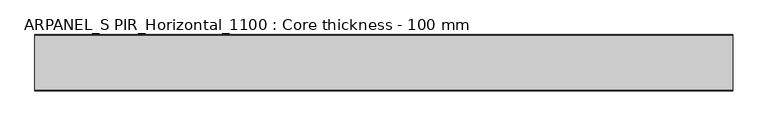
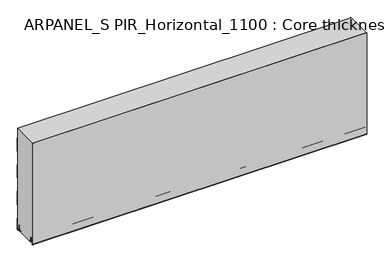
"""IFC4 building model written with IfcOpenShell, lengths in millimetres: plate geometry, ARPANEL_S PIR_Horizontal_1100 : Core thickness - 100 mm."""

from ifc_helpers import new_model, si_unit, frame, origin, place, context, project, spatial, polyline, circle_curve, source, transform, mapped, element, save
from ifc_brep_helpers import plane_surface, cylinder_surface, revolved_surface, advanced_brep


def arpanel_s_pir_horizontal_1100_core_thickness_100_mm_a6a39213(model_context):
    return source(origin(), model_context, "Body", "AdvancedBrep", [
        advanced_brep(
        [(620.0, -99.9996949, 3.0900682), (620.0, -93.81449, 2.7875612), (620.0, -92.197116, 19.2828169), (620.0, -89.1776715, 21.9898782), (620.0, -86.1582271, 19.2828169), (620.0, -84.7725998, 5.1510966), (620.0, -80.3830995, 5.365779), (620.0, -81.1830995, 5.365779), (620.0, -83.9764178, 5.2291629), (620.0, -85.3620451, 19.3608832), (620.0, -89.1776715, 22.7899182), (620.0, -92.9932979, 19.3608832), (620.0, -94.6106719, 2.8656275), (620.0, -99.1996949, 3.0900682), (620.0, -99.2, 400.0), (620.0, -99.9996949, 400.0), (-620.0, -99.1996949, 3.0900682), (-620.0, -94.6106719, 2.8656275), (-620.0, -92.9932979, 19.3608832), (-620.0, -89.1776715, 22.7899182), (-620.0, -85.3620451, 19.3608832), (-620.0, -83.9764178, 5.2291629), (-620.0, -81.1830995, 5.365779), (-620.0, -80.3830995, 5.365779), (-620.0, -84.7725998, 5.1510966), (-620.0, -86.1582271, 19.2828169), (-620.0, -89.1776715, 21.9898782), (-620.0, -92.197116, 19.2828169), (-620.0, -93.81449, 2.7875612), (-620.0, -99.9996949, 3.0900682), (-620.0, -99.9996949, 400.0), (-620.0, -99.2, 400.0)],
        [
            (0, 1, circle_curve(frame((620.0, -96.8996949, 3.0900682), z_axis=(1.0, 0.0, 0.0), x_axis=(0.0, 0.0, -1.0)), 3.1)),
            (1, 2),
            (2, 3, circle_curve(frame((620.0, -89.2114338, 18.9900682), z_axis=(-1.0, 0.0, 0.0), x_axis=(0.0, 0.0, -1.0)), 3.0)),
            (3, 4, circle_curve(frame((620.0, -89.1439093, 18.9900682), z_axis=(-1.0, 0.0, 0.0), x_axis=(0.0, 0.0, -1.0)), 3.0)),
            (4, 5),
            (5, 6, circle_curve(frame((620.0, -82.5830995, 5.365779), z_axis=(1.0, 0.0, 0.0), x_axis=(0.0, 0.0, -1.0)), 2.2)),
            (6, 7),
            (7, 8, circle_curve(frame((620.0, -82.5830995, 5.365779), z_axis=(-1.0, 0.0, 0.0), x_axis=(0.0, 0.0, -1.0)), 1.4)),
            (8, 9),
            (9, 10, circle_curve(frame((620.0, -89.1439093, 18.9900682), z_axis=(1.0, 0.0, 0.0), x_axis=(0.0, 0.0, -1.0)), 3.8)),
            (10, 11, circle_curve(frame((620.0, -89.2114338, 18.9900682), z_axis=(1.0, 0.0, 0.0), x_axis=(0.0, 0.0, -1.0)), 3.8)),
            (11, 12),
            (12, 13, circle_curve(frame((620.0, -96.8996949, 3.0900682), z_axis=(-1.0, 0.0, 0.0), x_axis=(0.0, 0.0, -1.0)), 2.3)),
            (13, 14),
            (14, 15),
            (15, 0),
            (16, 17, circle_curve(frame((-620.0, -96.8996949, 3.0900682), z_axis=(1.0, 0.0, 0.0), x_axis=(0.0, 0.0, -1.0)), 2.3)),
            (17, 18),
            (18, 19, circle_curve(frame((-620.0, -89.2114338, 18.9900682), z_axis=(-1.0, 0.0, 0.0), x_axis=(0.0, 0.0, -1.0)), 3.8)),
            (19, 20, circle_curve(frame((-620.0, -89.1439093, 18.9900682), z_axis=(-1.0, 0.0, 0.0), x_axis=(0.0, 0.0, -1.0)), 3.8)),
            (20, 21),
            (21, 22, circle_curve(frame((-620.0, -82.5830995, 5.365779), z_axis=(1.0, 0.0, 0.0), x_axis=(0.0, 0.0, -1.0)), 1.4)),
            (22, 23),
            (23, 24, circle_curve(frame((-620.0, -82.5830995, 5.365779), z_axis=(-1.0, 0.0, 0.0), x_axis=(0.0, 0.0, -1.0)), 2.2)),
            (24, 25),
            (25, 26, circle_curve(frame((-620.0, -89.1439093, 18.9900682), z_axis=(1.0, 0.0, 0.0), x_axis=(0.0, 0.0, -1.0)), 3.0)),
            (26, 27, circle_curve(frame((-620.0, -89.2114338, 18.9900682), z_axis=(1.0, 0.0, 0.0), x_axis=(0.0, 0.0, -1.0)), 3.0)),
            (27, 28),
            (28, 29, circle_curve(frame((-620.0, -96.8996949, 3.0900682), z_axis=(-1.0, 0.0, 0.0), x_axis=(0.0, 0.0, -1.0)), 3.1)),
            (29, 30),
            (30, 31),
            (31, 16),
            (13, 16),
            (31, 14),
            (29, 0),
            (15, 30),
            (12, 17),
            (11, 18),
            (10, 19),
            (9, 20),
            (8, 21),
            (7, 22),
            (6, 23),
            (5, 24),
            (4, 25),
            (3, 26),
            (2, 27),
            (1, 28),
        ],
        [
            plane_surface(frame((620.0, -100.0, 0.0), z_axis=(1.0, 0.0, 0.0), x_axis=(0.0, 1.0, 0.0))),
            plane_surface(frame((-620.0, -100.0, 0.0), z_axis=(-1.0, 0.0, 0.0), x_axis=(0.0, 1.0, 0.0))),
            plane_surface(frame((620.0, -99.2, 3.0900682), z_axis=(0.0, 1.0, 0.0), x_axis=(-1.0, 0.0, 0.0))),
            plane_surface(frame((620.0, -99.9996949, 1093.9000005), z_axis=(0.0, -1.0, 0.0), x_axis=(-1.0, 0.0, 0.0))),
            revolved_surface(polyline([(-620.0, -96.8996949, 0.7900682000000003), (620.0, -96.8996949, 0.7900682000000003)]), (620.0, -96.8996949, 3.0900682), (-1.0, 0.0, 0.0)),
            plane_surface(frame((620.0, -92.9932979, 19.3608832), z_axis=(0.0, -0.9952273999818314, 0.09758289975914787), x_axis=(-1.0, 0.0, 0.0))),
            cylinder_surface(frame((620.0, -89.2114338, 18.9900682), z_axis=(1.0, 0.0, 0.0), x_axis=(0.0, 0.0, -1.0)), 3.8),
            cylinder_surface(frame((620.0, -89.1439093, 18.9900682), z_axis=(1.0, 0.0, 0.0), x_axis=(0.0, 0.0, -1.0)), 3.8),
            plane_surface(frame((620.0, -83.9764178, 5.2291629), z_axis=(0.0, 0.9952273999818297, 0.09758289975916531), x_axis=(-1.0, 0.0, 0.0))),
            revolved_surface(polyline([(-620.0, -82.5830995, 3.965779), (620.0, -82.5830995, 3.965779)]), (620.0, -82.5830995, 5.365779), (-1.0, 0.0, 0.0)),
            plane_surface(frame((620.0, -80.3830995, 5.365779), z_axis=(0.0, 0.0, 1.0), x_axis=(-1.0, 0.0, 0.0))),
            cylinder_surface(frame((620.0, -82.5830995, 5.365779), z_axis=(1.0, 0.0, 0.0), x_axis=(0.0, 0.0, -1.0)), 2.2),
            plane_surface(frame((620.0, -86.1582271, 19.2828169), z_axis=(0.0, -0.9952273999818296, -0.09758289975916527), x_axis=(-1.0, 0.0, 0.0))),
            revolved_surface(polyline([(-620.0, -89.1439093, 15.9900682), (620.0, -89.1439093, 15.9900682)]), (620.0, -89.1439093, 18.9900682), (-1.0, 0.0, 0.0)),
            revolved_surface(polyline([(-620.0, -89.2114338, 15.9900682), (620.0, -89.2114338, 15.9900682)]), (620.0, -89.2114338, 18.9900682), (-1.0, 0.0, 0.0)),
            plane_surface(frame((620.0, -93.81449, 2.7875612), z_axis=(0.0, 0.9952273999818314, -0.09758289975914787), x_axis=(-1.0, 0.0, 0.0))),
            cylinder_surface(frame((620.0, -96.8996949, 3.0900682), z_axis=(1.0, 0.0, 0.0), x_axis=(0.0, 0.0, -1.0)), 3.1),
            plane_surface(frame((-620.0, 134.0533409, 400.0), z_axis=(0.0, 0.0, 1.0), x_axis=(1.0, 0.0, 0.0))),
        ],
        [
            (0, [[1, 2, 3, 4, 5, 6, 7, 8, 9, 10, 11, 12, 13, 14, 15, 16]]),
            (1, [[17, 18, 19, 20, 21, 22, 23, 24, 25, 26, 27, 28, 29, 30, 31, 32]]),
            (2, [[33, -32, 34, -14]]),
            (3, [[35, -16, 36, -30]]),
            (4, [[-13, 37, -17, -33]]),
            (5, [[-12, 38, -18, -37]]),
            (6, [[-11, 39, -19, -38]]),
            (7, [[-10, 40, -20, -39]]),
            (8, [[-9, 41, -21, -40]]),
            (9, [[-8, 42, -22, -41]]),
            (10, [[-7, 43, -23, -42]]),
            (11, [[-6, 44, -24, -43]]),
            (12, [[-5, 45, -25, -44]]),
            (13, [[-4, 46, -26, -45]]),
            (14, [[-3, 47, -27, -46]]),
            (15, [[-2, 48, -28, -47]]),
            (16, [[-1, -35, -29, -48]]),
            (17, [[-15, -34, -31, -36]]),
        ],
    ),
        advanced_brep(
        [(620.0, -0.8, 149.9459237), (620.0, -1.0986697, 150.9973395), (620.0, -1.5003051, 152.4177205), (620.0, -1.5003051, 202.5775037), (620.0, -1.0971009, 203.9969151), (620.0, -0.8, 205.0493005), (620.0, -0.8, 255.2090837), (620.0, -1.0986697, 256.2604995), (620.0, -1.5003051, 257.6808805), (620.0, -1.5003051, 307.8406637), (620.0, -1.0971009, 309.2600751), (620.0, -0.8, 310.3124605), (620.0, -0.8, 360.4722437), (620.0, -1.0986697, 361.5236595), (620.0, -1.5003051, 362.9440405), (620.0, -1.5003051, 400.0), (620.0, -99.2, 400.0), (620.0, -99.2, 3.0900682), (620.0, -94.6106719, 2.8656275), (620.0, -92.9932979, 19.3608832), (620.0, -89.1776715, 22.7899182), (620.0, -85.3620451, 19.3608832), (620.0, -83.9764178, 5.2291629), (620.0, -81.1830995, 5.365779), (620.0, -80.3830995, 5.365779), (620.0, -80.6102539, 4.3921875), (620.0, -19.3897461, 4.3921875), (620.0, -19.6169005, 5.365779), (620.0, -18.8169005, 5.365779), (620.0, -16.0235822, 5.2291629), (620.0, -14.6379549, 19.3608832), (620.0, -10.8223285, 22.7899182), (620.0, -7.0067021, 19.3608832), (620.0, -5.3893281, 2.8656275), (620.0, -0.8003051, 3.0900682), (620.0, -0.8, 44.6827637), (620.0, -1.0986697, 45.7341795), (620.0, -1.5003051, 47.1545605), (620.0, -1.5003051, 97.3143437), (620.0, -1.0971009, 98.7337551), (620.0, -0.8, 99.7861405), (-620.0, -1.0986697, 150.9973395), (-620.0, -0.8, 149.9459237), (-620.0, -0.8, 99.7861405), (-620.0, -1.0986697, 98.7347246), (-620.0, -1.5003051, 97.3143437), (-620.0, -1.5003051, 47.1545605), (-620.0, -1.0971009, 45.7351491), (-620.0, -0.8, 44.6827637), (-620.0, -0.8, 3.0900682), (-620.0, -5.3893281, 2.8656275), (-620.0, -7.0067021, 19.3608832), (-620.0, -10.8223285, 22.7899182), (-620.0, -14.6379549, 19.3608832), (-620.0, -16.0235822, 5.2291629), (-620.0, -18.4553868, 4.4268721), (-620.0, -18.8169005, 5.365779), (-620.0, -19.6169005, 5.365779), (-620.0, -19.3897461, 4.3921875), (-620.0, -80.6102539, 4.3921875), (-620.0, -80.3830995, 5.365779), (-620.0, -81.1830995, 5.365779), (-620.0, -81.5446132, 4.4268721), (-620.0, -83.9764178, 5.2291629), (-620.0, -85.3620451, 19.3608832), (-620.0, -89.1776715, 22.7899182), (-620.0, -92.9932979, 19.3608832), (-620.0, -94.6106719, 2.8656275), (-620.0, -99.1996949, 3.0900682), (-620.0, -99.2, 400.0), (-620.0, -1.5003051, 400.0), (-620.0, -1.5003051, 362.9440405), (-620.0, -1.0971009, 361.5246291), (-620.0, -0.8, 360.4722437), (-620.0, -0.8, 310.3124605), (-620.0, -1.0986697, 309.2610446), (-620.0, -1.5003051, 307.8406637), (-620.0, -1.5003051, 257.6808805), (-620.0, -1.0971009, 256.2614691), (-620.0, -0.8, 255.2090837), (-620.0, -0.8, 205.0493005), (-620.0, -1.0986697, 203.9978846), (-620.0, -1.5003051, 202.5775037), (-620.0, -1.5003051, 152.4177205)],
        [
            (0, 1, circle_curve(frame((620.0, -2.8, 149.9459237), z_axis=(1.0, 0.0, 0.0), x_axis=(0.0, 0.0, -1.0)), 2.0)),
            (1, 2, circle_curve(frame((620.0, 1.1996949, 152.4177205), z_axis=(-1.0, 0.0, 0.0), x_axis=(0.0, 0.0, -1.0)), 2.7)),
            (2, 3),
            (3, 4, circle_curve(frame((620.0, 1.1996949, 202.5775037), z_axis=(-1.0, 0.0, 0.0), x_axis=(0.0, 0.0, -1.0)), 2.7)),
            (4, 5, circle_curve(frame((620.0, -2.8, 205.0493005), z_axis=(1.0, 0.0, 0.0), x_axis=(0.0, 0.0, -1.0)), 2.0)),
            (5, 6),
            (6, 7, circle_curve(frame((620.0, -2.8, 255.2090837), z_axis=(1.0, 0.0, 0.0), x_axis=(0.0, 0.0, -1.0)), 2.0)),
            (7, 8, circle_curve(frame((620.0, 1.1996949, 257.6808805), z_axis=(-1.0, 0.0, 0.0), x_axis=(0.0, 0.0, -1.0)), 2.7)),
            (8, 9),
            (9, 10, circle_curve(frame((620.0, 1.1996949, 307.8406637), z_axis=(-1.0, 0.0, 0.0), x_axis=(0.0, 0.0, -1.0)), 2.7)),
            (10, 11, circle_curve(frame((620.0, -2.8, 310.3124605), z_axis=(1.0, 0.0, 0.0), x_axis=(0.0, 0.0, -1.0)), 2.0)),
            (11, 12),
            (12, 13, circle_curve(frame((620.0, -2.8, 360.4722437), z_axis=(1.0, 0.0, 0.0), x_axis=(0.0, 0.0, -1.0)), 2.0)),
            (13, 14, circle_curve(frame((620.0, 1.1996949, 362.9440405), z_axis=(-1.0, 0.0, 0.0), x_axis=(0.0, 0.0, -1.0)), 2.7)),
            (14, 15),
            (15, 16),
            (16, 17),
            (17, 18, circle_curve(frame((620.0, -96.8996949, 3.0900682), z_axis=(1.0, 0.0, 0.0), x_axis=(0.0, 0.0, -1.0)), 2.3)),
            (18, 19),
            (19, 20, circle_curve(frame((620.0, -89.2114338, 18.9900682), z_axis=(-1.0, 0.0, 0.0), x_axis=(0.0, 0.0, -1.0)), 3.8)),
            (20, 21, circle_curve(frame((620.0, -89.1439093, 18.9900682), z_axis=(-1.0, 0.0, 0.0), x_axis=(0.0, 0.0, -1.0)), 3.8)),
            (21, 22),
            (22, 23, circle_curve(frame((620.0, -82.5830995, 5.365779), z_axis=(1.0, 0.0, 0.0), x_axis=(0.0, 0.0, -1.0)), 1.4)),
            (23, 24),
            (24, 25, circle_curve(frame((620.0, -82.5830995, 5.365779), z_axis=(-1.0, 0.0, 0.0), x_axis=(0.0, 0.0, -1.0)), 2.2)),
            (25, 26),
            (26, 27, circle_curve(frame((620.0, -17.4169005, 5.365779), z_axis=(-1.0, 0.0, 0.0), x_axis=(0.0, 0.0, -1.0)), 2.2)),
            (27, 28),
            (28, 29, circle_curve(frame((620.0, -17.4169005, 5.365779), z_axis=(1.0, 0.0, 0.0), x_axis=(0.0, 0.0, -1.0)), 1.4)),
            (29, 30),
            (30, 31, circle_curve(frame((620.0, -10.8560907, 18.9900682), z_axis=(-1.0, 0.0, 0.0), x_axis=(0.0, 0.0, -1.0)), 3.8)),
            (31, 32, circle_curve(frame((620.0, -10.7885662, 18.9900682), z_axis=(-1.0, 0.0, 0.0), x_axis=(0.0, 0.0, -1.0)), 3.8)),
            (32, 33),
            (33, 34, circle_curve(frame((620.0, -3.1003051, 3.0900682), z_axis=(1.0, 0.0, 0.0), x_axis=(0.0, 0.0, -1.0)), 2.3)),
            (34, 35),
            (35, 36, circle_curve(frame((620.0, -2.8, 44.6827637), z_axis=(1.0, 0.0, 0.0), x_axis=(0.0, 0.0, -1.0)), 2.0)),
            (36, 37, circle_curve(frame((620.0, 1.1996949, 47.1545605), z_axis=(-1.0, 0.0, 0.0), x_axis=(0.0, 0.0, -1.0)), 2.7)),
            (37, 38),
            (38, 39, circle_curve(frame((620.0, 1.1996949, 97.3143437), z_axis=(-1.0, 0.0, 0.0), x_axis=(0.0, 0.0, -1.0)), 2.7)),
            (39, 40, circle_curve(frame((620.0, -2.8, 99.7861405), z_axis=(1.0, 0.0, 0.0), x_axis=(0.0, 0.0, -1.0)), 2.0)),
            (40, 0),
            (41, 42, circle_curve(frame((-620.0, -2.8, 149.9459237), z_axis=(-1.0, 0.0, 0.0), x_axis=(0.0, 0.0, -1.0)), 2.0)),
            (42, 43),
            (43, 44, circle_curve(frame((-620.0, -2.8, 99.7861405), z_axis=(-1.0, 0.0, 0.0), x_axis=(0.0, 0.0, -1.0)), 2.0)),
            (44, 45, circle_curve(frame((-620.0, 1.1996949, 97.3143437), z_axis=(1.0, 0.0, 0.0), x_axis=(0.0, 0.0, -1.0)), 2.7)),
            (45, 46),
            (46, 47, circle_curve(frame((-620.0, 1.1996949, 47.1545605), z_axis=(1.0, 0.0, 0.0), x_axis=(0.0, 0.0, -1.0)), 2.7)),
            (47, 48, circle_curve(frame((-620.0, -2.8, 44.6827637), z_axis=(-1.0, 0.0, 0.0), x_axis=(0.0, 0.0, -1.0)), 2.0)),
            (48, 49),
            (49, 50, circle_curve(frame((-620.0, -3.1003051, 3.0900682), z_axis=(-1.0, 0.0, 0.0), x_axis=(0.0, 0.0, -1.0)), 2.3)),
            (50, 51),
            (51, 52, circle_curve(frame((-620.0, -10.7885662, 18.9900682), z_axis=(1.0, 0.0, 0.0), x_axis=(0.0, 0.0, -1.0)), 3.8)),
            (52, 53, circle_curve(frame((-620.0, -10.8560907, 18.9900682), z_axis=(1.0, 0.0, 0.0), x_axis=(0.0, 0.0, -1.0)), 3.8)),
            (53, 54),
            (54, 55, circle_curve(frame((-620.0, -17.4169005, 5.365779), z_axis=(-1.0, 0.0, 0.0), x_axis=(0.0, 0.0, -1.0)), 1.4)),
            (55, 56, circle_curve(frame((-620.0, -17.4169005, 5.365779), z_axis=(-1.0, 0.0, 0.0), x_axis=(0.0, 0.0, -1.0)), 1.4)),
            (56, 57),
            (57, 58, circle_curve(frame((-620.0, -17.4169005, 5.365779), z_axis=(1.0, 0.0, 0.0), x_axis=(0.0, 0.0, -1.0)), 2.2)),
            (58, 59),
            (59, 60, circle_curve(frame((-620.0, -82.5830995, 5.365779), z_axis=(1.0, 0.0, 0.0), x_axis=(0.0, 0.0, -1.0)), 2.2)),
            (60, 61),
            (61, 62, circle_curve(frame((-620.0, -82.5830995, 5.365779), z_axis=(-1.0, 0.0, 0.0), x_axis=(0.0, 0.0, -1.0)), 1.4)),
            (62, 63, circle_curve(frame((-620.0, -82.5830995, 5.365779), z_axis=(-1.0, 0.0, 0.0), x_axis=(0.0, 0.0, -1.0)), 1.4)),
            (63, 64),
            (64, 65, circle_curve(frame((-620.0, -89.1439093, 18.9900682), z_axis=(1.0, 0.0, 0.0), x_axis=(0.0, 0.0, -1.0)), 3.8)),
            (65, 66, circle_curve(frame((-620.0, -89.2114338, 18.9900682), z_axis=(1.0, 0.0, 0.0), x_axis=(0.0, 0.0, -1.0)), 3.8)),
            (66, 67),
            (67, 68, circle_curve(frame((-620.0, -96.8996949, 3.0900682), z_axis=(-1.0, 0.0, 0.0), x_axis=(0.0, 0.0, -1.0)), 2.3)),
            (68, 69),
            (69, 70),
            (70, 71),
            (71, 72, circle_curve(frame((-620.0, 1.1996949, 362.9440405), z_axis=(1.0, 0.0, 0.0), x_axis=(0.0, 0.0, -1.0)), 2.7)),
            (72, 73, circle_curve(frame((-620.0, -2.8, 360.4722437), z_axis=(-1.0, 0.0, 0.0), x_axis=(0.0, 0.0, -1.0)), 2.0)),
            (73, 74),
            (74, 75, circle_curve(frame((-620.0, -2.8, 310.3124605), z_axis=(-1.0, 0.0, 0.0), x_axis=(0.0, 0.0, -1.0)), 2.0)),
            (75, 76, circle_curve(frame((-620.0, 1.1996949, 307.8406637), z_axis=(1.0, 0.0, 0.0), x_axis=(0.0, 0.0, -1.0)), 2.7)),
            (76, 77),
            (77, 78, circle_curve(frame((-620.0, 1.1996949, 257.6808805), z_axis=(1.0, 0.0, 0.0), x_axis=(0.0, 0.0, -1.0)), 2.7)),
            (78, 79, circle_curve(frame((-620.0, -2.8, 255.2090837), z_axis=(-1.0, 0.0, 0.0), x_axis=(0.0, 0.0, -1.0)), 2.0)),
            (79, 80),
            (80, 81, circle_curve(frame((-620.0, -2.8, 205.0493005), z_axis=(-1.0, 0.0, 0.0), x_axis=(0.0, 0.0, -1.0)), 2.0)),
            (81, 82, circle_curve(frame((-620.0, 1.1996949, 202.5775037), z_axis=(1.0, 0.0, 0.0), x_axis=(0.0, 0.0, -1.0)), 2.7)),
            (82, 83),
            (83, 41, circle_curve(frame((-620.0, 1.1996949, 152.4177205), z_axis=(1.0, 0.0, 0.0), x_axis=(0.0, 0.0, -1.0)), 2.7)),
            (41, 1),
            (0, 42),
            (83, 2),
            (82, 3),
            (81, 4),
            (80, 5),
            (79, 6),
            (78, 7),
            (77, 8),
            (76, 9),
            (75, 10),
            (74, 11),
            (73, 12),
            (72, 13),
            (71, 14),
            (70, 15),
            (68, 17),
            (16, 69),
            (57, 27),
            (26, 58),
            (56, 28),
            (54, 29),
            (53, 30),
            (52, 31),
            (51, 32),
            (50, 33),
            (49, 34),
            (48, 35),
            (47, 36),
            (46, 37),
            (45, 38),
            (44, 39),
            (43, 40),
            (67, 18),
            (66, 19),
            (65, 20),
            (64, 21),
            (63, 22),
            (61, 23),
            (60, 24),
            (59, 25),
        ],
        [
            plane_surface(frame((620.0, 0.0, 0.0), z_axis=(1.0, 0.0, 0.0), x_axis=(0.0, -1.0, 0.0))),
            plane_surface(frame((-620.0, 0.0, 0.0), z_axis=(-1.0, 0.0, 0.0), x_axis=(0.0, -1.0, 0.0))),
            cylinder_surface(frame((750.0, -2.8, 149.9459237), z_axis=(-1.0, 0.0, 0.0), x_axis=(0.0, 0.0, -1.0)), 2.0),
            revolved_surface(polyline([(620.0, 1.1996949, 149.7177205), (-620.0, 1.1996949, 149.7177205)]), (750.0, 1.1996949, 152.4177205), (1.0, 0.0, 0.0)),
            plane_surface(frame((750.0, -1.5003051, 202.5775037), z_axis=(0.0, 1.0, 0.0), x_axis=(-1.0, 0.0, 0.0))),
            revolved_surface(polyline([(620.0, 1.1996949, 199.8775037), (-620.0, 1.1996949, 199.8775037)]), (750.0, 1.1996949, 202.5775037), (1.0, 0.0, 0.0)),
            cylinder_surface(frame((750.0, -2.8, 205.0493005), z_axis=(-1.0, 0.0, 0.0), x_axis=(0.0, 0.0, -1.0)), 2.0),
            plane_surface(frame((750.0, -0.8, 255.2090837), z_axis=(0.0, 1.0, 0.0), x_axis=(-1.0, 0.0, 0.0))),
            cylinder_surface(frame((750.0, -2.8, 255.2090837), z_axis=(-1.0, 0.0, 0.0), x_axis=(0.0, 0.0, -1.0)), 2.0),
            revolved_surface(polyline([(620.0, 1.1996949, 254.9808805), (-620.0, 1.1996949, 254.9808805)]), (750.0, 1.1996949, 257.6808805), (1.0, 0.0, 0.0)),
            plane_surface(frame((750.0, -1.5003051, 307.8406637), z_axis=(0.0, 1.0, 0.0), x_axis=(-1.0, 0.0, 0.0))),
            revolved_surface(polyline([(620.0, 1.1996949, 305.1406637), (-620.0, 1.1996949, 305.1406637)]), (750.0, 1.1996949, 307.8406637), (1.0, 0.0, 0.0)),
            cylinder_surface(frame((750.0, -2.8, 310.3124605), z_axis=(-1.0, 0.0, 0.0), x_axis=(0.0, 0.0, -1.0)), 2.0),
            plane_surface(frame((750.0, -0.8, 360.4722437), z_axis=(0.0, 1.0, 0.0), x_axis=(-1.0, 0.0, 0.0))),
            cylinder_surface(frame((750.0, -2.8, 360.4722437), z_axis=(-1.0, 0.0, 0.0), x_axis=(0.0, 0.0, -1.0)), 2.0),
            revolved_surface(polyline([(620.0, 1.1996949, 360.24404050000004), (-620.0, 1.1996949, 360.24404050000004)]), (750.0, 1.1996949, 362.9440405), (1.0, 0.0, 0.0)),
            plane_surface(frame((750.0, -1.5003051, 413.1038237), z_axis=(0.0, 1.0, 0.0), x_axis=(-1.0, 0.0, 0.0))),
            plane_surface(frame((750.0, -99.2, 3.0900682), z_axis=(0.0, -1.0, 0.0), x_axis=(-1.0, 0.0, 0.0))),
            revolved_surface(polyline([(620.0, -17.4169005, 3.1657789999999997), (-620.0, -17.4169005, 3.1657789999999997)]), (750.0, -17.4169005, 5.365779), (1.0, 0.0, 0.0)),
            plane_surface(frame((750.0, -18.8169005, 5.365779), z_axis=(0.0, 0.0, -1.0), x_axis=(-1.0, 0.0, 0.0))),
            cylinder_surface(frame((750.0, -17.4169005, 5.365779), z_axis=(-1.0, 0.0, 0.0), x_axis=(0.0, 0.0, -1.0)), 1.4),
            plane_surface(frame((750.0, -14.6379549, 19.3608832), z_axis=(0.0, 0.9952273999818297, -0.09758289975916531), x_axis=(-1.0, 0.0, 0.0))),
            revolved_surface(polyline([(620.0, -10.8560907, 15.190068199999999), (-620.0, -10.8560907, 15.190068199999999)]), (750.0, -10.8560907, 18.9900682), (1.0, 0.0, 0.0)),
            revolved_surface(polyline([(620.0, -10.7885662, 15.190068199999999), (-620.0, -10.7885662, 15.190068199999999)]), (750.0, -10.7885662, 18.9900682), (1.0, 0.0, 0.0)),
            plane_surface(frame((750.0, -5.3893281, 2.8656275), z_axis=(0.0, -0.9952273999818314, -0.09758289975914787), x_axis=(-1.0, 0.0, 0.0))),
            cylinder_surface(frame((750.0, -3.1003051, 3.0900682), z_axis=(-1.0, 0.0, 0.0), x_axis=(0.0, 0.0, -1.0)), 2.3),
            plane_surface(frame((750.0, -0.8, 44.6827637), z_axis=(0.0, 1.0, 0.0), x_axis=(-1.0, 0.0, 0.0))),
            cylinder_surface(frame((750.0, -2.8, 44.6827637), z_axis=(-1.0, 0.0, 0.0), x_axis=(0.0, 0.0, -1.0)), 2.0),
            revolved_surface(polyline([(620.0, 1.1996949, 44.4545605), (-620.0, 1.1996949, 44.4545605)]), (750.0, 1.1996949, 47.1545605), (1.0, 0.0, 0.0)),
            plane_surface(frame((750.0, -1.5003051, 97.3143437), z_axis=(0.0, 1.0, 0.0), x_axis=(-1.0, 0.0, 0.0))),
            revolved_surface(polyline([(620.0, 1.1996949, 94.61434369999999), (-620.0, 1.1996949, 94.61434369999999)]), (750.0, 1.1996949, 97.3143437), (1.0, 0.0, 0.0)),
            cylinder_surface(frame((750.0, -2.8, 99.7861405), z_axis=(-1.0, 0.0, 0.0), x_axis=(0.0, 0.0, -1.0)), 2.0),
            plane_surface(frame((750.0, -0.8, 149.9459237), z_axis=(0.0, 1.0, 0.0), x_axis=(-1.0, 0.0, 0.0))),
            cylinder_surface(frame((750.0, -96.8996949, 3.0900682), z_axis=(-1.0, 0.0, 0.0), x_axis=(0.0, 0.0, -1.0)), 2.3),
            plane_surface(frame((750.0, -92.9932979, 19.3608832), z_axis=(0.0, 0.9952273999818314, -0.09758289975914787), x_axis=(-1.0, 0.0, 0.0))),
            revolved_surface(polyline([(620.0, -89.2114338, 15.190068199999999), (-620.0, -89.2114338, 15.190068199999999)]), (750.0, -89.2114338, 18.9900682), (1.0, 0.0, 0.0)),
            revolved_surface(polyline([(620.0, -89.1439093, 15.190068199999999), (-620.0, -89.1439093, 15.190068199999999)]), (750.0, -89.1439093, 18.9900682), (1.0, 0.0, 0.0)),
            plane_surface(frame((750.0, -83.9764178, 5.2291629), z_axis=(0.0, -0.9952273999818297, -0.09758289975916531), x_axis=(-1.0, 0.0, 0.0))),
            cylinder_surface(frame((750.0, -82.5830995, 5.365779), z_axis=(-1.0, 0.0, 0.0), x_axis=(0.0, 0.0, -1.0)), 1.4),
            plane_surface(frame((750.0, -80.3830995, 5.365779), z_axis=(0.0, 0.0, -1.0), x_axis=(-1.0, 0.0, 0.0))),
            revolved_surface(polyline([(620.0, -82.5830995, 3.1657789999999997), (-620.0, -82.5830995, 3.1657789999999997)]), (750.0, -82.5830995, 5.365779), (1.0, 0.0, 0.0)),
            plane_surface(frame((620.0, -81.50625, 4.3921875), z_axis=(0.0, 0.0, -1.0), x_axis=(-1.0, 0.0, 0.0))),
            plane_surface(frame((-620.0, 134.0533409, 400.0), z_axis=(0.0, 0.0, 1.0), x_axis=(1.0, 0.0, 0.0))),
        ],
        [
            (0, [[1, 2, 3, 4, 5, 6, 7, 8, 9, 10, 11, 12, 13, 14, 15, 16, 17, 18, 19, 20, 21, 22, 23, 24, 25, 26, 27, 28, 29, 30, 31, 32, 33, 34, 35, 36, 37, 38, 39, 40, 41]]),
            (1, [[42, 43, 44, 45, 46, 47, 48, 49, 50, 51, 52, 53, 54, 55, 56, 57, 58, 59, 60, 61, 62, 63, 64, 65, 66, 67, 68, 69, 70, 71, 72, 73, 74, 75, 76, 77, 78, 79, 80, 81, 82, 83, 84]]),
            (2, [[85, -1, 86, -42]]),
            (3, [[-85, -84, 87, -2]]),
            (4, [[-87, -83, 88, -3]]),
            (5, [[-88, -82, 89, -4]]),
            (6, [[-89, -81, 90, -5]]),
            (7, [[-90, -80, 91, -6]]),
            (8, [[-91, -79, 92, -7]]),
            (9, [[-92, -78, 93, -8]]),
            (10, [[-93, -77, 94, -9]]),
            (11, [[-94, -76, 95, -10]]),
            (12, [[-95, -75, 96, -11]]),
            (13, [[-96, -74, 97, -12]]),
            (14, [[-97, -73, 98, -13]]),
            (15, [[-98, -72, 99, -14]]),
            (16, [[-99, -71, 100, -15]]),
            (17, [[101, -17, 102, -69]]),
            (18, [[103, -27, 104, -58]]),
            (19, [[-103, -57, 105, -28]]),
            (20, [[-105, -56, -55, 106, -29]]),
            (21, [[-106, -54, 107, -30]]),
            (22, [[-107, -53, 108, -31]]),
            (23, [[-108, -52, 109, -32]]),
            (24, [[-109, -51, 110, -33]]),
            (25, [[-110, -50, 111, -34]]),
            (26, [[-111, -49, 112, -35]]),
            (27, [[-112, -48, 113, -36]]),
            (28, [[-113, -47, 114, -37]]),
            (29, [[-114, -46, 115, -38]]),
            (30, [[-115, -45, 116, -39]]),
            (31, [[-116, -44, 117, -40]]),
            (32, [[-117, -43, -86, -41]]),
            (33, [[-101, -68, 118, -18]]),
            (34, [[-118, -67, 119, -19]]),
            (35, [[-119, -66, 120, -20]]),
            (36, [[-120, -65, 121, -21]]),
            (37, [[-121, -64, 122, -22]]),
            (38, [[-122, -63, -62, 123, -23]]),
            (39, [[-123, -61, 124, -24]]),
            (40, [[-124, -60, 125, -25]]),
            (41, [[-104, -26, -125, -59]]),
            (42, [[-100, -70, -102, -16]]),
        ],
    ),
        advanced_brep(
        [(-620.0, -0.7003051, 362.9440405), (-620.0, -0.4016712, 361.8926826), (-620.0, -0.0003051, 360.4722437), (-620.0, -0.0003051, 310.3124605), (-620.0, -0.4034608, 308.8931274), (-620.0, -0.7003051, 307.8406637), (-620.0, -0.7003051, 257.6808805), (-620.0, -0.4016712, 256.6295226), (-620.0, -0.0003051, 255.2090837), (-620.0, -0.0003051, 205.0493005), (-620.0, -0.4034608, 203.6299674), (-620.0, -0.7003051, 202.5775037), (-620.0, -0.7003051, 152.4177205), (-620.0, -0.4016712, 151.3663626), (-620.0, -0.0003051, 149.9459237), (-620.0, -0.0003051, 99.7861405), (-620.0, -0.4034608, 98.3668074), (-620.0, -0.7003051, 97.3143437), (-620.0, -0.7003051, 47.1545605), (-620.0, -0.4016712, 46.1032026), (-620.0, -0.0003051, 44.6827637), (-620.0, -0.0003051, 3.0900682), (-620.0, -6.18551, 2.7875612), (-620.0, -7.802884, 19.2828169), (-620.0, -10.8223285, 21.9898782), (-620.0, -13.8417729, 19.2828169), (-620.0, -15.2274002, 5.1510966), (-620.0, -19.6169005, 5.365779), (-620.0, -18.8169005, 5.365779), (-620.0, -16.0235822, 5.2291629), (-620.0, -14.6379549, 19.3608832), (-620.0, -10.8223285, 22.7899182), (-620.0, -7.0067021, 19.3608832), (-620.0, -5.3893281, 2.8656275), (-620.0, -0.8003051, 3.0900682), (-620.0, -0.8, 44.6827637), (-620.0, -1.0986697, 45.7341795), (-620.0, -1.5003051, 47.1545605), (-620.0, -1.5003051, 97.3143437), (-620.0, -1.0971009, 98.7337551), (-620.0, -0.8, 99.7861405), (-620.0, -0.8, 149.9459237), (-620.0, -1.0986697, 150.9973395), (-620.0, -1.5003051, 152.4177205), (-620.0, -1.5003051, 202.5775037), (-620.0, -1.0971009, 203.9969151), (-620.0, -0.8, 205.0493005), (-620.0, -0.8, 255.2090837), (-620.0, -1.0986697, 256.2604995), (-620.0, -1.5003051, 257.6808805), (-620.0, -1.5003051, 307.8406637), (-620.0, -1.0971009, 309.2600751), (-620.0, -0.8, 310.3124605), (-620.0, -0.8, 360.4722437), (-620.0, -1.0986697, 361.5236595), (-620.0, -1.5003051, 362.9440405), (-620.0, -1.5003051, 400.0), (-620.0, -0.7003051, 400.0), (620.0, -1.5003051, 362.9440405), (620.0, -1.0971009, 361.5246291), (620.0, -0.8, 360.4722437), (620.0, -0.8, 310.3124605), (620.0, -1.0986697, 309.2610446), (620.0, -1.5003051, 307.8406637), (620.0, -1.5003051, 257.6808805), (620.0, -1.0971009, 256.2614691), (620.0, -0.8, 255.2090837), (620.0, -0.8, 205.0493005), (620.0, -1.0986697, 203.9978846), (620.0, -1.5003051, 202.5775037), (620.0, -1.5003051, 152.4177205), (620.0, -1.0971009, 150.9983091), (620.0, -0.8, 149.9459237), (620.0, -0.8, 99.7861405), (620.0, -1.0986697, 98.7347246), (620.0, -1.5003051, 97.3143437), (620.0, -1.5003051, 47.1545605), (620.0, -1.0971009, 45.7351491), (620.0, -0.8, 44.6827637), (620.0, -0.8, 3.0900682), (620.0, -5.3893281, 2.8656275), (620.0, -7.0067021, 19.3608832), (620.0, -10.8223285, 22.7899182), (620.0, -14.6379549, 19.3608832), (620.0, -16.0235822, 5.2291629), (620.0, -18.8169005, 5.365779), (620.0, -19.6169005, 5.365779), (620.0, -15.2274002, 5.1510966), (620.0, -13.8417729, 19.2828169), (620.0, -10.8223285, 21.9898782), (620.0, -7.802884, 19.2828169), (620.0, -6.18551, 2.7875612), (620.0, -0.0003051, 3.0900682), (620.0, -0.0003051, 44.6827637), (620.0, -0.4034608, 46.1020968), (620.0, -0.7003051, 47.1545605), (620.0, -0.7003051, 97.3143437), (620.0, -0.4016712, 98.3657015), (620.0, -0.0003051, 99.7861405), (620.0, -0.0003051, 149.9459237), (620.0, -0.4034608, 151.3652568), (620.0, -0.7003051, 152.4177205), (620.0, -0.7003051, 202.5775037), (620.0, -0.4016712, 203.6288615), (620.0, -0.0003051, 205.0493005), (620.0, -0.0003051, 255.2090837), (620.0, -0.4034608, 256.6284168), (620.0, -0.7003051, 257.6808805), (620.0, -0.7003051, 307.8406637), (620.0, -0.4016712, 308.8920215), (620.0, -0.0003051, 310.3124605), (620.0, -0.0003051, 360.4722437), (620.0, -0.4034608, 361.8915768), (620.0, -0.7003051, 362.9440405), (620.0, -0.7003051, 400.0), (620.0, -1.5003051, 400.0)],
        [
            (0, 1, circle_curve(frame((-620.0, 1.2996949, 362.9440405), z_axis=(1.0, 0.0, 0.0), x_axis=(0.0, 0.0, -1.0)), 2.0)),
            (1, 2, circle_curve(frame((-620.0, -2.7003051, 360.4722437), z_axis=(-1.0, 0.0, 0.0), x_axis=(0.0, 0.0, -1.0)), 2.7)),
            (2, 3),
            (3, 4, circle_curve(frame((-620.0, -2.7003051, 310.3124605), z_axis=(-1.0, 0.0, 0.0), x_axis=(0.0, 0.0, -1.0)), 2.7)),
            (4, 5, circle_curve(frame((-620.0, 1.2996949, 307.8406637), z_axis=(1.0, 0.0, 0.0), x_axis=(0.0, 0.0, -1.0)), 2.0)),
            (5, 6),
            (6, 7, circle_curve(frame((-620.0, 1.2996949, 257.6808805), z_axis=(1.0, 0.0, 0.0), x_axis=(0.0, 0.0, -1.0)), 2.0)),
            (7, 8, circle_curve(frame((-620.0, -2.7003051, 255.2090837), z_axis=(-1.0, 0.0, 0.0), x_axis=(0.0, 0.0, -1.0)), 2.7)),
            (8, 9),
            (9, 10, circle_curve(frame((-620.0, -2.7003051, 205.0493005), z_axis=(-1.0, 0.0, 0.0), x_axis=(0.0, 0.0, -1.0)), 2.7)),
            (10, 11, circle_curve(frame((-620.0, 1.2996949, 202.5775037), z_axis=(1.0, 0.0, 0.0), x_axis=(0.0, 0.0, -1.0)), 2.0)),
            (11, 12),
            (12, 13, circle_curve(frame((-620.0, 1.2996949, 152.4177205), z_axis=(1.0, 0.0, 0.0), x_axis=(0.0, 0.0, -1.0)), 2.0)),
            (13, 14, circle_curve(frame((-620.0, -2.7003051, 149.9459237), z_axis=(-1.0, 0.0, 0.0), x_axis=(0.0, 0.0, -1.0)), 2.7)),
            (14, 15),
            (15, 16, circle_curve(frame((-620.0, -2.7003051, 99.7861405), z_axis=(-1.0, 0.0, 0.0), x_axis=(0.0, 0.0, -1.0)), 2.7)),
            (16, 17, circle_curve(frame((-620.0, 1.2996949, 97.3143437), z_axis=(1.0, 0.0, 0.0), x_axis=(0.0, 0.0, -1.0)), 2.0)),
            (17, 18),
            (18, 19, circle_curve(frame((-620.0, 1.2996949, 47.1545605), z_axis=(1.0, 0.0, 0.0), x_axis=(0.0, 0.0, -1.0)), 2.0)),
            (19, 20, circle_curve(frame((-620.0, -2.7003051, 44.6827637), z_axis=(-1.0, 0.0, 0.0), x_axis=(0.0, 0.0, -1.0)), 2.7)),
            (20, 21),
            (21, 22, circle_curve(frame((-620.0, -3.1003051, 3.0900682), z_axis=(-1.0, 0.0, 0.0), x_axis=(0.0, 0.0, -1.0)), 3.1)),
            (22, 23),
            (23, 24, circle_curve(frame((-620.0, -10.7885662, 18.9900682), z_axis=(1.0, 0.0, 0.0), x_axis=(0.0, 0.0, -1.0)), 3.0)),
            (24, 25, circle_curve(frame((-620.0, -10.8560907, 18.9900682), z_axis=(1.0, 0.0, 0.0), x_axis=(0.0, 0.0, -1.0)), 3.0)),
            (25, 26),
            (26, 27, circle_curve(frame((-620.0, -17.4169005, 5.365779), z_axis=(-1.0, 0.0, 0.0), x_axis=(0.0, 0.0, -1.0)), 2.2)),
            (27, 28),
            (28, 29, circle_curve(frame((-620.0, -17.4169005, 5.365779), z_axis=(1.0, 0.0, 0.0), x_axis=(0.0, 0.0, -1.0)), 1.4)),
            (29, 30),
            (30, 31, circle_curve(frame((-620.0, -10.8560907, 18.9900682), z_axis=(-1.0, 0.0, 0.0), x_axis=(0.0, 0.0, -1.0)), 3.8)),
            (31, 32, circle_curve(frame((-620.0, -10.7885662, 18.9900682), z_axis=(-1.0, 0.0, 0.0), x_axis=(0.0, 0.0, -1.0)), 3.8)),
            (32, 33),
            (33, 34, circle_curve(frame((-620.0, -3.1003051, 3.0900682), z_axis=(1.0, 0.0, 0.0), x_axis=(0.0, 0.0, -1.0)), 2.3)),
            (34, 35),
            (35, 36, circle_curve(frame((-620.0, -2.8, 44.6827637), z_axis=(1.0, 0.0, 0.0), x_axis=(0.0, 0.0, -1.0)), 2.0)),
            (36, 37, circle_curve(frame((-620.0, 1.1996949, 47.1545605), z_axis=(-1.0, 0.0, 0.0), x_axis=(0.0, 0.0, -1.0)), 2.7)),
            (37, 38),
            (38, 39, circle_curve(frame((-620.0, 1.1996949, 97.3143437), z_axis=(-1.0, 0.0, 0.0), x_axis=(0.0, 0.0, -1.0)), 2.7)),
            (39, 40, circle_curve(frame((-620.0, -2.8, 99.7861405), z_axis=(1.0, 0.0, 0.0), x_axis=(0.0, 0.0, -1.0)), 2.0)),
            (40, 41),
            (41, 42, circle_curve(frame((-620.0, -2.8, 149.9459237), z_axis=(1.0, 0.0, 0.0), x_axis=(0.0, 0.0, -1.0)), 2.0)),
            (42, 43, circle_curve(frame((-620.0, 1.1996949, 152.4177205), z_axis=(-1.0, 0.0, 0.0), x_axis=(0.0, 0.0, -1.0)), 2.7)),
            (43, 44),
            (44, 45, circle_curve(frame((-620.0, 1.1996949, 202.5775037), z_axis=(-1.0, 0.0, 0.0), x_axis=(0.0, 0.0, -1.0)), 2.7)),
            (45, 46, circle_curve(frame((-620.0, -2.8, 205.0493005), z_axis=(1.0, 0.0, 0.0), x_axis=(0.0, 0.0, -1.0)), 2.0)),
            (46, 47),
            (47, 48, circle_curve(frame((-620.0, -2.8, 255.2090837), z_axis=(1.0, 0.0, 0.0), x_axis=(0.0, 0.0, -1.0)), 2.0)),
            (48, 49, circle_curve(frame((-620.0, 1.1996949, 257.6808805), z_axis=(-1.0, 0.0, 0.0), x_axis=(0.0, 0.0, -1.0)), 2.7)),
            (49, 50),
            (50, 51, circle_curve(frame((-620.0, 1.1996949, 307.8406637), z_axis=(-1.0, 0.0, 0.0), x_axis=(0.0, 0.0, -1.0)), 2.7)),
            (51, 52, circle_curve(frame((-620.0, -2.8, 310.3124605), z_axis=(1.0, 0.0, 0.0), x_axis=(0.0, 0.0, -1.0)), 2.0)),
            (52, 53),
            (53, 54, circle_curve(frame((-620.0, -2.8, 360.4722437), z_axis=(1.0, 0.0, 0.0), x_axis=(0.0, 0.0, -1.0)), 2.0)),
            (54, 55, circle_curve(frame((-620.0, 1.1996949, 362.9440405), z_axis=(-1.0, 0.0, 0.0), x_axis=(0.0, 0.0, -1.0)), 2.7)),
            (55, 56),
            (56, 57),
            (57, 0),
            (58, 59, circle_curve(frame((620.0, 1.1996949, 362.9440405), z_axis=(1.0, 0.0, 0.0), x_axis=(0.0, 0.0, -1.0)), 2.7)),
            (59, 60, circle_curve(frame((620.0, -2.8, 360.4722437), z_axis=(-1.0, 0.0, 0.0), x_axis=(0.0, 0.0, -1.0)), 2.0)),
            (60, 61),
            (61, 62, circle_curve(frame((620.0, -2.8, 310.3124605), z_axis=(-1.0, 0.0, 0.0), x_axis=(0.0, 0.0, -1.0)), 2.0)),
            (62, 63, circle_curve(frame((620.0, 1.1996949, 307.8406637), z_axis=(1.0, 0.0, 0.0), x_axis=(0.0, 0.0, -1.0)), 2.7)),
            (63, 64),
            (64, 65, circle_curve(frame((620.0, 1.1996949, 257.6808805), z_axis=(1.0, 0.0, 0.0), x_axis=(0.0, 0.0, -1.0)), 2.7)),
            (65, 66, circle_curve(frame((620.0, -2.8, 255.2090837), z_axis=(-1.0, 0.0, 0.0), x_axis=(0.0, 0.0, -1.0)), 2.0)),
            (66, 67),
            (67, 68, circle_curve(frame((620.0, -2.8, 205.0493005), z_axis=(-1.0, 0.0, 0.0), x_axis=(0.0, 0.0, -1.0)), 2.0)),
            (68, 69, circle_curve(frame((620.0, 1.1996949, 202.5775037), z_axis=(1.0, 0.0, 0.0), x_axis=(0.0, 0.0, -1.0)), 2.7)),
            (69, 70),
            (70, 71, circle_curve(frame((620.0, 1.1996949, 152.4177205), z_axis=(1.0, 0.0, 0.0), x_axis=(0.0, 0.0, -1.0)), 2.7)),
            (71, 72, circle_curve(frame((620.0, -2.8, 149.9459237), z_axis=(-1.0, 0.0, 0.0), x_axis=(0.0, 0.0, -1.0)), 2.0)),
            (72, 73),
            (73, 74, circle_curve(frame((620.0, -2.8, 99.7861405), z_axis=(-1.0, 0.0, 0.0), x_axis=(0.0, 0.0, -1.0)), 2.0)),
            (74, 75, circle_curve(frame((620.0, 1.1996949, 97.3143437), z_axis=(1.0, 0.0, 0.0), x_axis=(0.0, 0.0, -1.0)), 2.7)),
            (75, 76),
            (76, 77, circle_curve(frame((620.0, 1.1996949, 47.1545605), z_axis=(1.0, 0.0, 0.0), x_axis=(0.0, 0.0, -1.0)), 2.7)),
            (77, 78, circle_curve(frame((620.0, -2.8, 44.6827637), z_axis=(-1.0, 0.0, 0.0), x_axis=(0.0, 0.0, -1.0)), 2.0)),
            (78, 79),
            (79, 80, circle_curve(frame((620.0, -3.1003051, 3.0900682), z_axis=(-1.0, 0.0, 0.0), x_axis=(0.0, 0.0, -1.0)), 2.3)),
            (80, 81),
            (81, 82, circle_curve(frame((620.0, -10.7885662, 18.9900682), z_axis=(1.0, 0.0, 0.0), x_axis=(0.0, 0.0, -1.0)), 3.8)),
            (82, 83, circle_curve(frame((620.0, -10.8560907, 18.9900682), z_axis=(1.0, 0.0, 0.0), x_axis=(0.0, 0.0, -1.0)), 3.8)),
            (83, 84),
            (84, 85, circle_curve(frame((620.0, -17.4169005, 5.365779), z_axis=(-1.0, 0.0, 0.0), x_axis=(0.0, 0.0, -1.0)), 1.4)),
            (85, 86),
            (86, 87, circle_curve(frame((620.0, -17.4169005, 5.365779), z_axis=(1.0, 0.0, 0.0), x_axis=(0.0, 0.0, -1.0)), 2.2)),
            (87, 88),
            (88, 89, circle_curve(frame((620.0, -10.8560907, 18.9900682), z_axis=(-1.0, 0.0, 0.0), x_axis=(0.0, 0.0, -1.0)), 3.0)),
            (89, 90, circle_curve(frame((620.0, -10.7885662, 18.9900682), z_axis=(-1.0, 0.0, 0.0), x_axis=(0.0, 0.0, -1.0)), 3.0)),
            (90, 91),
            (91, 92, circle_curve(frame((620.0, -3.1003051, 3.0900682), z_axis=(1.0, 0.0, 0.0), x_axis=(0.0, 0.0, -1.0)), 3.1)),
            (92, 93),
            (93, 94, circle_curve(frame((620.0, -2.7003051, 44.6827637), z_axis=(1.0, 0.0, 0.0), x_axis=(0.0, 0.0, -1.0)), 2.7)),
            (94, 95, circle_curve(frame((620.0, 1.2996949, 47.1545605), z_axis=(-1.0, 0.0, 0.0), x_axis=(0.0, 0.0, -1.0)), 2.0)),
            (95, 96),
            (96, 97, circle_curve(frame((620.0, 1.2996949, 97.3143437), z_axis=(-1.0, 0.0, 0.0), x_axis=(0.0, 0.0, -1.0)), 2.0)),
            (97, 98, circle_curve(frame((620.0, -2.7003051, 99.7861405), z_axis=(1.0, 0.0, 0.0), x_axis=(0.0, 0.0, -1.0)), 2.7)),
            (98, 99),
            (99, 100, circle_curve(frame((620.0, -2.7003051, 149.9459237), z_axis=(1.0, 0.0, 0.0), x_axis=(0.0, 0.0, -1.0)), 2.7)),
            (100, 101, circle_curve(frame((620.0, 1.2996949, 152.4177205), z_axis=(-1.0, 0.0, 0.0), x_axis=(0.0, 0.0, -1.0)), 2.0)),
            (101, 102),
            (102, 103, circle_curve(frame((620.0, 1.2996949, 202.5775037), z_axis=(-1.0, 0.0, 0.0), x_axis=(0.0, 0.0, -1.0)), 2.0)),
            (103, 104, circle_curve(frame((620.0, -2.7003051, 205.0493005), z_axis=(1.0, 0.0, 0.0), x_axis=(0.0, 0.0, -1.0)), 2.7)),
            (104, 105),
            (105, 106, circle_curve(frame((620.0, -2.7003051, 255.2090837), z_axis=(1.0, 0.0, 0.0), x_axis=(0.0, 0.0, -1.0)), 2.7)),
            (106, 107, circle_curve(frame((620.0, 1.2996949, 257.6808805), z_axis=(-1.0, 0.0, 0.0), x_axis=(0.0, 0.0, -1.0)), 2.0)),
            (107, 108),
            (108, 109, circle_curve(frame((620.0, 1.2996949, 307.8406637), z_axis=(-1.0, 0.0, 0.0), x_axis=(0.0, 0.0, -1.0)), 2.0)),
            (109, 110, circle_curve(frame((620.0, -2.7003051, 310.3124605), z_axis=(1.0, 0.0, 0.0), x_axis=(0.0, 0.0, -1.0)), 2.7)),
            (110, 111),
            (111, 112, circle_curve(frame((620.0, -2.7003051, 360.4722437), z_axis=(1.0, 0.0, 0.0), x_axis=(0.0, 0.0, -1.0)), 2.7)),
            (112, 113, circle_curve(frame((620.0, 1.2996949, 362.9440405), z_axis=(-1.0, 0.0, 0.0), x_axis=(0.0, 0.0, -1.0)), 2.0)),
            (113, 114),
            (114, 115),
            (115, 58),
            (55, 58),
            (115, 56),
            (54, 59),
            (53, 60),
            (52, 61),
            (51, 62),
            (50, 63),
            (49, 64),
            (48, 65),
            (47, 66),
            (46, 67),
            (45, 68),
            (44, 69),
            (43, 70),
            (42, 71),
            (41, 72),
            (33, 80),
            (79, 34),
            (32, 81),
            (31, 82),
            (30, 83),
            (29, 84),
            (28, 85),
            (27, 86),
            (26, 87),
            (25, 88),
            (24, 89),
            (23, 90),
            (22, 91),
            (21, 92),
            (13, 100),
            (99, 14),
            (12, 101),
            (11, 102),
            (10, 103),
            (9, 104),
            (8, 105),
            (7, 106),
            (6, 107),
            (5, 108),
            (4, 109),
            (3, 110),
            (2, 111),
            (1, 112),
            (0, 113),
            (57, 114),
            (40, 73),
            (39, 74),
            (38, 75),
            (37, 76),
            (36, 77),
            (35, 78),
            (20, 93),
            (19, 94),
            (18, 95),
            (17, 96),
            (16, 97),
            (15, 98),
        ],
        [
            plane_surface(frame((-620.0, 0.0, 0.0), z_axis=(-1.0, 0.0, 0.0), x_axis=(0.0, -1.0, 0.0))),
            plane_surface(frame((620.0, 0.0, 0.0), z_axis=(1.0, 0.0, 0.0), x_axis=(0.0, -1.0, 0.0))),
            plane_surface(frame((-620.0, -1.5003051, 362.9440405), z_axis=(0.0, -1.0, 0.0), x_axis=(1.0, 0.0, 0.0))),
            cylinder_surface(frame((-620.0, 1.1996949, 362.9440405), z_axis=(-1.0, 0.0, 0.0), x_axis=(0.0, 0.0, -1.0)), 2.7),
            revolved_surface(polyline([(620.0, -2.8, 358.4722437), (-620.0, -2.8, 358.4722437)]), (-620.0, -2.8, 360.4722437), (1.0, 0.0, 0.0)),
            plane_surface(frame((-620.0, -0.8, 310.3124605), z_axis=(0.0, -1.0, 0.0), x_axis=(1.0, 0.0, 0.0))),
            revolved_surface(polyline([(620.0, -2.8, 308.3124605), (-620.0, -2.8, 308.3124605)]), (-620.0, -2.8, 310.3124605), (1.0, 0.0, 0.0)),
            cylinder_surface(frame((-620.0, 1.1996949, 307.8406637), z_axis=(-1.0, 0.0, 0.0), x_axis=(0.0, 0.0, -1.0)), 2.7),
            plane_surface(frame((-620.0, -1.5003051, 257.6808805), z_axis=(0.0, -1.0, 0.0), x_axis=(1.0, 0.0, 0.0))),
            cylinder_surface(frame((-620.0, 1.1996949, 257.6808805), z_axis=(-1.0, 0.0, 0.0), x_axis=(0.0, 0.0, -1.0)), 2.7),
            revolved_surface(polyline([(620.0, -2.8, 253.2090837), (-620.0, -2.8, 253.2090837)]), (-620.0, -2.8, 255.2090837), (1.0, 0.0, 0.0)),
            plane_surface(frame((-620.0, -0.8, 205.0493005), z_axis=(0.0, -1.0, 0.0), x_axis=(1.0, 0.0, 0.0))),
            revolved_surface(polyline([(620.0, -2.8, 203.0493005), (-620.0, -2.8, 203.0493005)]), (-620.0, -2.8, 205.0493005), (1.0, 0.0, 0.0)),
            cylinder_surface(frame((-620.0, 1.1996949, 202.5775037), z_axis=(-1.0, 0.0, 0.0), x_axis=(0.0, 0.0, -1.0)), 2.7),
            plane_surface(frame((-620.0, -1.5003051, 152.4177205), z_axis=(0.0, -1.0, 0.0), x_axis=(1.0, 0.0, 0.0))),
            cylinder_surface(frame((-620.0, 1.1996949, 152.4177205), z_axis=(-1.0, 0.0, 0.0), x_axis=(0.0, 0.0, -1.0)), 2.7),
            revolved_surface(polyline([(620.0, -2.8, 147.9459237), (-620.0, -2.8, 147.9459237)]), (-620.0, -2.8, 149.9459237), (1.0, 0.0, 0.0)),
            revolved_surface(polyline([(620.0, -3.1003051, 0.7900682000000003), (-620.0, -3.1003051, 0.7900682000000003)]), (-620.0, -3.1003051, 3.0900682), (1.0, 0.0, 0.0)),
            plane_surface(frame((-620.0, -7.0067021, 19.3608832), z_axis=(0.0, 0.9952273999818314, 0.09758289975914787), x_axis=(1.0, 0.0, 0.0))),
            cylinder_surface(frame((-620.0, -10.7885662, 18.9900682), z_axis=(-1.0, 0.0, 0.0), x_axis=(0.0, 0.0, -1.0)), 3.8),
            cylinder_surface(frame((-620.0, -10.8560907, 18.9900682), z_axis=(-1.0, 0.0, 0.0), x_axis=(0.0, 0.0, -1.0)), 3.8),
            plane_surface(frame((-620.0, -16.0235822, 5.2291629), z_axis=(0.0, -0.9952273999818297, 0.09758289975916531), x_axis=(1.0, 0.0, 0.0))),
            revolved_surface(polyline([(620.0, -17.4169005, 3.965779), (-620.0, -17.4169005, 3.965779)]), (-620.0, -17.4169005, 5.365779), (1.0, 0.0, 0.0)),
            plane_surface(frame((-620.0, -19.6169005, 5.365779), z_axis=(0.0, 0.0, 1.0), x_axis=(1.0, 0.0, 0.0))),
            cylinder_surface(frame((-620.0, -17.4169005, 5.365779), z_axis=(-1.0, 0.0, 0.0), x_axis=(0.0, 0.0, -1.0)), 2.2),
            plane_surface(frame((-620.0, -13.8417729, 19.2828169), z_axis=(0.0, 0.9952273999818296, -0.09758289975916527), x_axis=(1.0, 0.0, 0.0))),
            revolved_surface(polyline([(620.0, -10.8560907, 15.9900682), (-620.0, -10.8560907, 15.9900682)]), (-620.0, -10.8560907, 18.9900682), (1.0, 0.0, 0.0)),
            revolved_surface(polyline([(620.0, -10.7885662, 15.9900682), (-620.0, -10.7885662, 15.9900682)]), (-620.0, -10.7885662, 18.9900682), (1.0, 0.0, 0.0)),
            plane_surface(frame((-620.0, -6.18551, 2.7875612), z_axis=(0.0, -0.9952273999818314, -0.09758289975914787), x_axis=(1.0, 0.0, 0.0))),
            cylinder_surface(frame((-620.0, -3.1003051, 3.0900682), z_axis=(-1.0, 0.0, 0.0), x_axis=(0.0, 0.0, -1.0)), 3.1),
            cylinder_surface(frame((-620.0, -2.7003051, 149.9459237), z_axis=(-1.0, 0.0, 0.0), x_axis=(0.0, 0.0, -1.0)), 2.7),
            revolved_surface(polyline([(620.0, 1.2996949, 150.4177205), (-620.0, 1.2996949, 150.4177205)]), (-620.0, 1.2996949, 152.4177205), (1.0, 0.0, 0.0)),
            plane_surface(frame((-620.0, -0.7003051, 202.5775037), z_axis=(0.0, 1.0, 0.0), x_axis=(1.0, 0.0, 0.0))),
            revolved_surface(polyline([(620.0, 1.2996949, 200.5775037), (-620.0, 1.2996949, 200.5775037)]), (-620.0, 1.2996949, 202.5775037), (1.0, 0.0, 0.0)),
            cylinder_surface(frame((-620.0, -2.7003051, 205.0493005), z_axis=(-1.0, 0.0, 0.0), x_axis=(0.0, 0.0, -1.0)), 2.7),
            plane_surface(frame((-620.0, -0.0003051, 255.2090837), z_axis=(0.0, 1.0, 0.0), x_axis=(1.0, 0.0, 0.0))),
            cylinder_surface(frame((-620.0, -2.7003051, 255.2090837), z_axis=(-1.0, 0.0, 0.0), x_axis=(0.0, 0.0, -1.0)), 2.7),
            revolved_surface(polyline([(620.0, 1.2996949, 255.6808805), (-620.0, 1.2996949, 255.6808805)]), (-620.0, 1.2996949, 257.6808805), (1.0, 0.0, 0.0)),
            plane_surface(frame((-620.0, -0.7003051, 307.8406637), z_axis=(0.0, 1.0, 0.0), x_axis=(1.0, 0.0, 0.0))),
            revolved_surface(polyline([(620.0, 1.2996949, 305.8406637), (-620.0, 1.2996949, 305.8406637)]), (-620.0, 1.2996949, 307.8406637), (1.0, 0.0, 0.0)),
            cylinder_surface(frame((-620.0, -2.7003051, 310.3124605), z_axis=(-1.0, 0.0, 0.0), x_axis=(0.0, 0.0, -1.0)), 2.7),
            plane_surface(frame((-620.0, -0.0003051, 360.4722437), z_axis=(0.0, 1.0, 0.0), x_axis=(1.0, 0.0, 0.0))),
            cylinder_surface(frame((-620.0, -2.7003051, 360.4722437), z_axis=(-1.0, 0.0, 0.0), x_axis=(0.0, 0.0, -1.0)), 2.7),
            revolved_surface(polyline([(620.0, 1.2996949, 360.9440405), (-620.0, 1.2996949, 360.9440405)]), (-620.0, 1.2996949, 362.9440405), (1.0, 0.0, 0.0)),
            plane_surface(frame((-620.0, -0.7003051, 413.1038237), z_axis=(0.0, 1.0, 0.0), x_axis=(1.0, 0.0, 0.0))),
            plane_surface(frame((-620.0, -0.8, 99.7861405), z_axis=(0.0, -1.0, 0.0), x_axis=(1.0, 0.0, 0.0))),
            revolved_surface(polyline([(620.0, -2.8, 97.7861405), (-620.0, -2.8, 97.7861405)]), (-620.0, -2.8, 99.7861405), (1.0, 0.0, 0.0)),
            cylinder_surface(frame((-620.0, 1.1996949, 97.3143437), z_axis=(-1.0, 0.0, 0.0), x_axis=(0.0, 0.0, -1.0)), 2.7),
            plane_surface(frame((-620.0, -1.5003051, 47.1545605), z_axis=(0.0, -1.0, 0.0), x_axis=(1.0, 0.0, 0.0))),
            cylinder_surface(frame((-620.0, 1.1996949, 47.1545605), z_axis=(-1.0, 0.0, 0.0), x_axis=(0.0, 0.0, -1.0)), 2.7),
            revolved_surface(polyline([(620.0, -2.8, 42.6827637), (-620.0, -2.8, 42.6827637)]), (-620.0, -2.8, 44.6827637), (1.0, 0.0, 0.0)),
            plane_surface(frame((-620.0, -0.8, 3.0900682), z_axis=(0.0, -1.0, 0.0), x_axis=(1.0, 0.0, 0.0))),
            plane_surface(frame((-620.0, -0.0003051, 44.6827637), z_axis=(0.0, 1.0, 0.0), x_axis=(1.0, 0.0, 0.0))),
            cylinder_surface(frame((-620.0, -2.7003051, 44.6827637), z_axis=(-1.0, 0.0, 0.0), x_axis=(0.0, 0.0, -1.0)), 2.7),
            revolved_surface(polyline([(620.0, 1.2996949, 45.1545605), (-620.0, 1.2996949, 45.1545605)]), (-620.0, 1.2996949, 47.1545605), (1.0, 0.0, 0.0)),
            plane_surface(frame((-620.0, -0.7003051, 97.3143437), z_axis=(0.0, 1.0, 0.0), x_axis=(1.0, 0.0, 0.0))),
            revolved_surface(polyline([(620.0, 1.2996949, 95.3143437), (-620.0, 1.2996949, 95.3143437)]), (-620.0, 1.2996949, 97.3143437), (1.0, 0.0, 0.0)),
            cylinder_surface(frame((-620.0, -2.7003051, 99.7861405), z_axis=(-1.0, 0.0, 0.0), x_axis=(0.0, 0.0, -1.0)), 2.7),
            plane_surface(frame((-620.0, -0.0003051, 149.9459237), z_axis=(0.0, 1.0, 0.0), x_axis=(1.0, 0.0, 0.0))),
            plane_surface(frame((-620.0, 134.0533409, 400.0), z_axis=(0.0, 0.0, 1.0), x_axis=(1.0, 0.0, 0.0))),
        ],
        [
            (0, [[1, 2, 3, 4, 5, 6, 7, 8, 9, 10, 11, 12, 13, 14, 15, 16, 17, 18, 19, 20, 21, 22, 23, 24, 25, 26, 27, 28, 29, 30, 31, 32, 33, 34, 35, 36, 37, 38, 39, 40, 41, 42, 43, 44, 45, 46, 47, 48, 49, 50, 51, 52, 53, 54, 55, 56, 57, 58]]),
            (1, [[59, 60, 61, 62, 63, 64, 65, 66, 67, 68, 69, 70, 71, 72, 73, 74, 75, 76, 77, 78, 79, 80, 81, 82, 83, 84, 85, 86, 87, 88, 89, 90, 91, 92, 93, 94, 95, 96, 97, 98, 99, 100, 101, 102, 103, 104, 105, 106, 107, 108, 109, 110, 111, 112, 113, 114, 115, 116]]),
            (2, [[117, -116, 118, -56]]),
            (3, [[-55, 119, -59, -117]]),
            (4, [[-54, 120, -60, -119]]),
            (5, [[-53, 121, -61, -120]]),
            (6, [[-52, 122, -62, -121]]),
            (7, [[-51, 123, -63, -122]]),
            (8, [[-50, 124, -64, -123]]),
            (9, [[-49, 125, -65, -124]]),
            (10, [[-48, 126, -66, -125]]),
            (11, [[-47, 127, -67, -126]]),
            (12, [[-46, 128, -68, -127]]),
            (13, [[-45, 129, -69, -128]]),
            (14, [[-44, 130, -70, -129]]),
            (15, [[-43, 131, -71, -130]]),
            (16, [[-42, 132, -72, -131]]),
            (17, [[-34, 133, -80, 134]]),
            (18, [[-33, 135, -81, -133]]),
            (19, [[-32, 136, -82, -135]]),
            (20, [[-31, 137, -83, -136]]),
            (21, [[-30, 138, -84, -137]]),
            (22, [[-29, 139, -85, -138]]),
            (23, [[-28, 140, -86, -139]]),
            (24, [[-27, 141, -87, -140]]),
            (25, [[-26, 142, -88, -141]]),
            (26, [[-25, 143, -89, -142]]),
            (27, [[-24, 144, -90, -143]]),
            (28, [[-23, 145, -91, -144]]),
            (29, [[-22, 146, -92, -145]]),
            (30, [[-14, 147, -100, 148]]),
            (31, [[-13, 149, -101, -147]]),
            (32, [[-12, 150, -102, -149]]),
            (33, [[-11, 151, -103, -150]]),
            (34, [[-10, 152, -104, -151]]),
            (35, [[-9, 153, -105, -152]]),
            (36, [[-8, 154, -106, -153]]),
            (37, [[-7, 155, -107, -154]]),
            (38, [[-6, 156, -108, -155]]),
            (39, [[-5, 157, -109, -156]]),
            (40, [[-4, 158, -110, -157]]),
            (41, [[-3, 159, -111, -158]]),
            (42, [[-2, 160, -112, -159]]),
            (43, [[-1, 161, -113, -160]]),
            (44, [[-161, -58, 162, -114]]),
            (45, [[-41, 163, -73, -132]]),
            (46, [[-40, 164, -74, -163]]),
            (47, [[-39, 165, -75, -164]]),
            (48, [[-38, 166, -76, -165]]),
            (49, [[-37, 167, -77, -166]]),
            (50, [[-36, 168, -78, -167]]),
            (51, [[-35, -134, -79, -168]]),
            (52, [[-21, 169, -93, -146]]),
            (53, [[-20, 170, -94, -169]]),
            (54, [[-19, 171, -95, -170]]),
            (55, [[-18, 172, -96, -171]]),
            (56, [[-17, 173, -97, -172]]),
            (57, [[-16, 174, -98, -173]]),
            (58, [[-15, -148, -99, -174]]),
            (59, [[-57, -118, -115, -162]]),
        ],
    ),
    ])


if __name__ == "__main__":
    model = new_model("IFC4")
    model_context = context("Model", 3, world=origin())
    ifc_project = project(units=[si_unit("LENGTHUNIT", "METRE", prefix="MILLI")], contexts=[model_context])
    site = spatial("IfcSite", under=ifc_project)
    building = spatial("IfcBuilding", under=site)
    placement = place(None, origin())
    arpanel_s_pir_horizontal_1100_core_thickness_100_mm_shape = arpanel_s_pir_horizontal_1100_core_thickness_100_mm_a6a39213(model_context)
    element("IfcPlate", 1, ObjectType="ARPANEL_S PIR_Horizontal_1100 : Core thickness - 100 mm", at=placement, inside=building, context=model_context, shape_type="MappedRepresentation", body=[
        mapped(arpanel_s_pir_horizontal_1100_core_thickness_100_mm_shape, transform((0.0, 0.0, 0.0), x_axis=(1.0, 0.0, 0.0), y_axis=(0.0, 1.0, 0.0), z_axis=(0.0, 0.0, 1.0))),
    ])
    save(model, "model.ifc")
